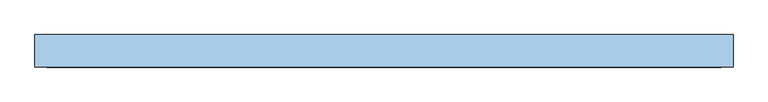
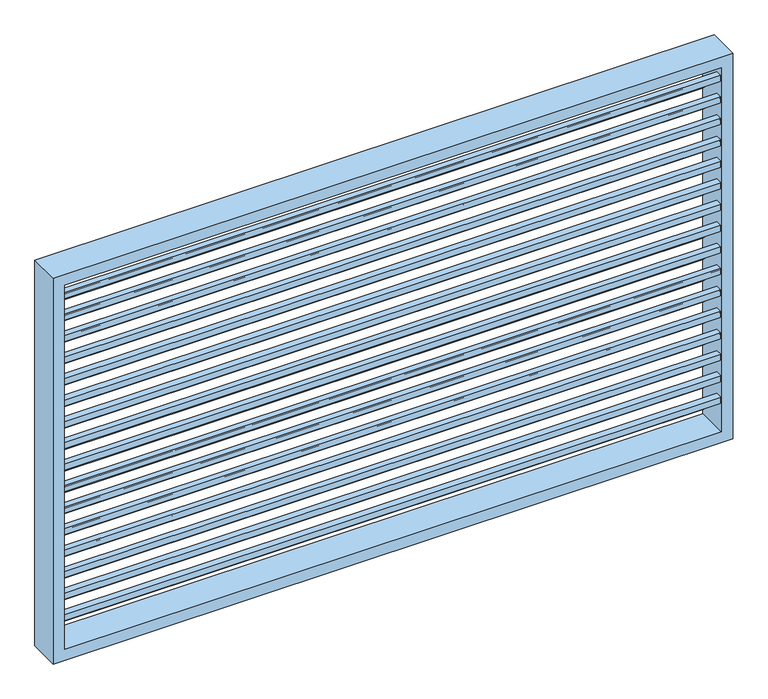
"""IFC4 building model written with IfcOpenShell, lengths in millimetres: window geometry."""

from ifc_helpers import new_model, si_unit, frame, origin, place, context, project, spatial, polyline, outline, extrude, source, transform, mapped, element, save


def window_36e4b687(model_context):
    return source(origin(), model_context, "Body", "SweptSolid", [
        extrude(outline(polyline([(32.8257425, 88.0533333), (30.8257425, 88.0533333), (-31.0242575, 150.1254578), (-31.0242575, 141.1092078), (-33.0242575, 141.1092078), (-33.0242575, 155.1092078), (-19.0242575, 155.1092078), (-19.0242575, 153.3313322), (-31.4017048, 153.3313322), (30.8290324, 91.100595), (30.8290324, 109.0533333), (32.8257425, 109.0533333), (32.8257425, 88.0533333)])), frame((-723.5189998, 0.0, 0.0), z_axis=(1.0, 0.0, 0.0), x_axis=(0.0, 1.0, 0.0)), (0.0, 0.0, 1.0), 1447.0379997),
        extrude(outline(polyline([(32.8257425, 138.0066667), (30.8257425, 138.0066667), (-31.0242575, 200.0787911), (-31.0242575, 191.0625411), (-33.0242575, 191.0625411), (-33.0242575, 205.0625411), (-19.0242575, 205.0625411), (-19.0242575, 203.2846655), (-31.4017048, 203.2846655), (30.8290324, 141.0539283), (30.8290324, 159.0066667), (32.8257425, 159.0066667), (32.8257425, 138.0066667)])), frame((-723.5189998, 0.0, 0.0), z_axis=(1.0, 0.0, 0.0), x_axis=(0.0, 1.0, 0.0)), (0.0, 0.0, 1.0), 1447.0379997),
        extrude(outline(polyline([(32.8257425, 187.96), (30.8257425, 187.96), (-31.0242575, 250.0321244), (-31.0242575, 241.0158744), (-33.0242575, 241.0158744), (-33.0242575, 255.0158744), (-19.0242575, 255.0158744), (-19.0242575, 253.2379989), (-31.4017048, 253.2379989), (30.8290324, 191.0072617), (30.8290324, 208.96), (32.8257425, 208.96), (32.8257425, 187.96)])), frame((-723.5189998, 0.0, 0.0), z_axis=(1.0, 0.0, 0.0), x_axis=(0.0, 1.0, 0.0)), (0.0, 0.0, 1.0), 1447.0379997),
        extrude(outline(polyline([(32.8257425, 237.9133333), (30.8257425, 237.9133333), (-31.0242575, 299.9854578), (-31.0242575, 290.9692078), (-33.0242575, 290.9692078), (-33.0242575, 304.9692078), (-19.0242575, 304.9692078), (-19.0242575, 303.1913322), (-31.4017048, 303.1913322), (30.8290324, 240.960595), (30.8290324, 258.9133333), (32.8257425, 258.9133333), (32.8257425, 237.9133333)])), frame((-723.5189998, 0.0, 0.0), z_axis=(1.0, 0.0, 0.0), x_axis=(0.0, 1.0, 0.0)), (0.0, 0.0, 1.0), 1447.0379997),
        extrude(outline(polyline([(32.8257425, 287.8666667), (30.8257425, 287.8666667), (-31.0242575, 349.9387911), (-31.0242575, 340.9225411), (-33.0242575, 340.9225411), (-33.0242575, 354.9225411), (-19.0242575, 354.9225411), (-19.0242575, 353.1446655), (-31.4017048, 353.1446655), (30.8290324, 290.9139283), (30.8290324, 308.8666667), (32.8257425, 308.8666667), (32.8257425, 287.8666667)])), frame((-723.5189998, 0.0, 0.0), z_axis=(1.0, 0.0, 0.0), x_axis=(0.0, 1.0, 0.0)), (0.0, 0.0, 1.0), 1447.0379997),
        extrude(outline(polyline([(32.8257425, 337.82), (30.8257425, 337.82), (-31.0242575, 399.8921244), (-31.0242575, 390.8758744), (-33.0242575, 390.8758744), (-33.0242575, 404.8758744), (-19.0242575, 404.8758744), (-19.0242575, 403.0979989), (-31.4017048, 403.0979989), (30.8290324, 340.8672617), (30.8290324, 358.82), (32.8257425, 358.82), (32.8257425, 337.82)])), frame((-723.5189998, 0.0, 0.0), z_axis=(1.0, 0.0, 0.0), x_axis=(0.0, 1.0, 0.0)), (0.0, 0.0, 1.0), 1447.0379997),
        extrude(outline(polyline([(32.8257425, 387.7733333), (30.8257425, 387.7733333), (-31.0242575, 449.8454578), (-31.0242575, 440.8292078), (-33.0242575, 440.8292078), (-33.0242575, 454.8292078), (-19.0242575, 454.8292078), (-19.0242575, 453.0513322), (-31.4017048, 453.0513322), (30.8290324, 390.820595), (30.8290324, 408.7733333), (32.8257425, 408.7733333), (32.8257425, 387.7733333)])), frame((-723.5189998, 0.0, 0.0), z_axis=(1.0, 0.0, 0.0), x_axis=(0.0, 1.0, 0.0)), (0.0, 0.0, 1.0), 1447.0379997),
        extrude(outline(polyline([(32.8257425, 437.7266667), (30.8257425, 437.7266667), (-31.0242575, 499.7987911), (-31.0242575, 490.7825411), (-33.0242575, 490.7825411), (-33.0242575, 504.7825411), (-19.0242575, 504.7825411), (-19.0242575, 503.0046655), (-31.4017048, 503.0046655), (30.8290324, 440.7739283), (30.8290324, 458.7266667), (32.8257425, 458.7266667), (32.8257425, 437.7266667)])), frame((-723.5189998, 0.0, 0.0), z_axis=(1.0, 0.0, 0.0), x_axis=(0.0, 1.0, 0.0)), (0.0, 0.0, 1.0), 1447.0379997),
        extrude(outline(polyline([(32.8257425, 487.68), (30.8257425, 487.68), (-31.0242575, 549.7521244), (-31.0242575, 540.7358744), (-33.0242575, 540.7358744), (-33.0242575, 554.7358744), (-19.0242575, 554.7358744), (-19.0242575, 552.9579989), (-31.4017048, 552.9579989), (30.8290324, 490.7272617), (30.8290324, 508.68), (32.8257425, 508.68), (32.8257425, 487.68)])), frame((-723.5189998, 0.0, 0.0), z_axis=(1.0, 0.0, 0.0), x_axis=(0.0, 1.0, 0.0)), (0.0, 0.0, 1.0), 1447.0379997),
        extrude(outline(polyline([(32.8257425, 537.6333333), (30.8257425, 537.6333333), (-31.0242575, 599.7054578), (-31.0242575, 590.6892078), (-33.0242575, 590.6892078), (-33.0242575, 604.6892078), (-19.0242575, 604.6892078), (-19.0242575, 602.9113322), (-31.4017048, 602.9113322), (30.8290324, 540.680595), (30.8290324, 558.6333333), (32.8257425, 558.6333333), (32.8257425, 537.6333333)])), frame((-723.5189998, 0.0, 0.0), z_axis=(1.0, 0.0, 0.0), x_axis=(0.0, 1.0, 0.0)), (0.0, 0.0, 1.0), 1447.0379997),
        extrude(outline(polyline([(32.8257425, 587.5866667), (30.8257425, 587.5866667), (-31.0242575, 649.6587911), (-31.0242575, 640.6425411), (-33.0242575, 640.6425411), (-33.0242575, 654.6425411), (-19.0242575, 654.6425411), (-19.0242575, 652.8646655), (-31.4017048, 652.8646655), (30.8290324, 590.6339283), (30.8290324, 608.5866667), (32.8257425, 608.5866667), (32.8257425, 587.5866667)])), frame((-723.5189998, 0.0, 0.0), z_axis=(1.0, 0.0, 0.0), x_axis=(0.0, 1.0, 0.0)), (0.0, 0.0, 1.0), 1447.0379997),
        extrude(outline(polyline([(32.8257425, 637.54), (30.8257425, 637.54), (-31.0242575, 699.6121244), (-31.0242575, 690.5958744), (-33.0242575, 690.5958744), (-33.0242575, 704.5958744), (-19.0242575, 704.5958744), (-19.0242575, 702.8179989), (-31.4017048, 702.8179989), (30.8290324, 640.5872617), (30.8290324, 658.54), (32.8257425, 658.54), (32.8257425, 637.54)])), frame((-723.5189998, 0.0, 0.0), z_axis=(1.0, 0.0, 0.0), x_axis=(0.0, 1.0, 0.0)), (0.0, 0.0, 1.0), 1447.0379997),
        extrude(outline(polyline([(32.8257425, 687.4933333), (30.8257425, 687.4933333), (-31.0242575, 749.5654578), (-31.0242575, 740.5492078), (-33.0242575, 740.5492078), (-33.0242575, 754.5492078), (-19.0242575, 754.5492078), (-19.0242575, 752.7713322), (-31.4017048, 752.7713322), (30.8290324, 690.540595), (30.8290324, 708.4933333), (32.8257425, 708.4933333), (32.8257425, 687.4933333)])), frame((-723.5189998, 0.0, 0.0), z_axis=(1.0, 0.0, 0.0), x_axis=(0.0, 1.0, 0.0)), (0.0, 0.0, 1.0), 1447.0379997),
        extrude(outline(polyline([(32.8257425, 737.4466667), (30.8257425, 737.4466667), (-31.0242575, 799.5187911), (-31.0242575, 790.5025411), (-33.0242575, 790.5025411), (-33.0242575, 804.5025411), (-19.0242575, 804.5025411), (-19.0242575, 802.7246655), (-31.4017048, 802.7246655), (30.8290324, 740.4939283), (30.8290324, 758.4466667), (32.8257425, 758.4466667), (32.8257425, 737.4466667)])), frame((-723.5189998, 0.0, 0.0), z_axis=(1.0, 0.0, 0.0), x_axis=(0.0, 1.0, 0.0)), (0.0, 0.0, 1.0), 1447.0379997),
        extrude(outline(polyline([(32.8257425, 38.1), (30.8257425, 38.1), (-31.0242575, 100.1721244), (-31.0242575, 91.1558744), (-33.0242575, 91.1558744), (-33.0242575, 105.1558744), (-19.0242575, 105.1558744), (-19.0242575, 103.3779989), (-31.4017048, 103.3779989), (30.8290324, 41.1472617), (30.8290324, 59.1), (32.8257425, 59.1), (32.8257425, 38.1)])), frame((-723.5189998, 0.0, 0.0), z_axis=(1.0, 0.0, 0.0), x_axis=(0.0, 1.0, 0.0)), (0.0, 0.0, 1.0), 1447.0379997),
        extrude(outline(polyline([(32.8257425, 787.4), (30.8257425, 787.4), (-31.0242575, 849.4721244), (-31.0242575, 840.4558744), (-33.0242575, 840.4558744), (-33.0242575, 854.4558744), (-19.0242575, 854.4558744), (-19.0242575, 852.6779989), (-31.4017048, 852.6779989), (30.8290324, 790.4472617), (30.8290324, 808.4), (32.8257425, 808.4), (32.8257425, 787.4)])), frame((-723.5189998, 0.0, 0.0), z_axis=(1.0, 0.0, 0.0), x_axis=(0.0, 1.0, 0.0)), (0.0, 0.0, 1.0), 1447.0379997),
        extrude(outline(polyline([(898.525, -748.9189998), (0.0, -748.9189998), (0.0, 748.9189998), (898.525, 748.9189998), (898.525, -748.9189998)]), holes=[polyline([(873.125, 723.5189998), (25.4, 723.5189998), (25.4, -723.5189998), (873.125, -723.5189998), (873.125, 723.5189998)])]), frame((0.0, -34.925, 0.0), z_axis=(0.0, 1.0, 0.0), x_axis=(0.0, 0.0, 1.0)), (0.0, 0.0, 1.0), 69.85),
    ])


if __name__ == "__main__":
    model = new_model("IFC4")
    model_context = context("Model", 3, world=origin())
    ifc_project = project(units=[si_unit("LENGTHUNIT", "METRE", prefix="MILLI")], contexts=[model_context])
    site = spatial("IfcSite", under=ifc_project)
    building = spatial("IfcBuilding", under=site)
    placement = place(None, origin())
    window_shape = window_36e4b687(model_context)
    element("IfcWindow", 1, at=placement, inside=building, context=model_context, shape_type="MappedRepresentation", body=[
        mapped(window_shape, transform((0.0, 0.0, 0.0), x_axis=(1.0, 0.0, 0.0), y_axis=(0.0, 1.0, 0.0), z_axis=(0.0, 0.0, 1.0))),
    ])
    save(model, "model.ifc")
